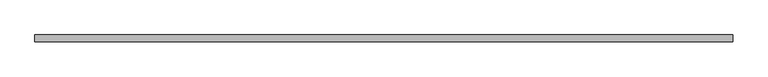
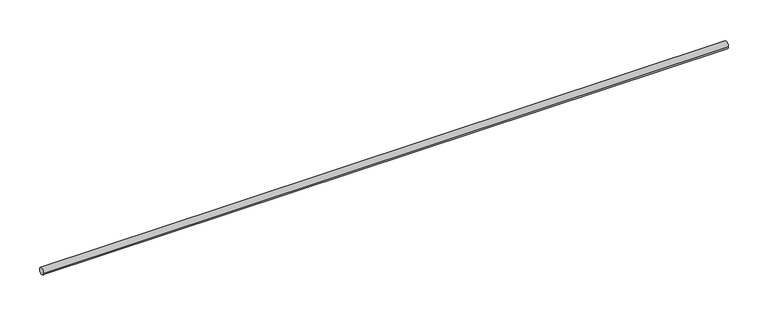
"""IFC4 building model written with IfcOpenShell, lengths in millimetres: proxy geometry."""

import ifcopenshell
import ifcopenshell.guid

model = None  # the IFC model being written
_history = None  # IfcOwnerHistory: only IFC2X3 demands one
_inside = {}  # id of a spatial element -> (the spatial element, [elements in it])
_under = {}  # id of a project, library or spatial element -> (it, [spatial elements below it])
_declared = {}  # id of a project -> (the project, [libraries it declares])
_typed = {}  # id of a type object -> (the type object, [elements of that type])
_made_of = {}  # id of a material, layer set ... -> (it, [elements and type objects made of it])


def new_model(schema):
    """Start an empty IFC model of exactly this schema.

    Asked for "IFC4X3", IfcOpenShell would pick the latest addendum, in which some entities
    have other attributes; the version numbers below select the first issue.
    IFC2X3 requires an IfcOwnerHistory on every rooted entity: one is made here for all.
    """
    global model, _history
    if schema == "IFC4X3":
        model = ifcopenshell.file(schema_version=(4, 3, 0, 0))
    else:
        model = ifcopenshell.file(schema=schema)
    _inside.clear()
    _under.clear()
    _declared.clear()
    _typed.clear()
    _made_of.clear()
    _history = None
    if model.schema == "IFC2X3":
        org = make("IfcOrganization", Name="unknown")
        user = make(
            "IfcPersonAndOrganization",
            ThePerson=make("IfcPerson", FamilyName="unknown"),
            TheOrganization=org,
        )
        app = make(
            "IfcApplication",
            ApplicationDeveloper=org,
            Version="unknown",
            ApplicationFullName="unknown",
            ApplicationIdentifier="unknown",
        )
        _history = make(
            "IfcOwnerHistory",
            OwningUser=user,
            OwningApplication=app,
            ChangeAction="ADDED",
            CreationDate=0,
        )
    return model


def make(cls, **values):
    """One entity of the class cls with the attributes given. An attribute that is None is left unset."""
    return model.create_entity(
        cls, **{name: value for name, value in values.items() if value is not None}
    )


def rooted(cls, **values):
    """An entity with a GlobalId (a new one), such as an element, a storey or a relation."""
    return make(cls, GlobalId=ifcopenshell.guid.new(), OwnerHistory=_history, **values)


def si_unit(unit_type, name, prefix=None):
    """IfcSIUnit, for example si_unit("LENGTHUNIT", "METRE", prefix="MILLI")."""
    return make("IfcSIUnit", UnitType=unit_type, Prefix=prefix, Name=name)


def assignment(units):
    """IfcUnitAssignment: the units of a project."""
    return None if units is None else make("IfcUnitAssignment", Units=units)


def point(xyz):
    """IfcCartesianPoint."""
    return None if xyz is None else make("IfcCartesianPoint", Coordinates=xyz)


def direction(xyz):
    """IfcDirection."""
    return None if xyz is None else make("IfcDirection", DirectionRatios=xyz)


def frame(location, z_axis=None, x_axis=None):
    """IfcAxis2Placement3D, a coordinate frame: its origin and axes. An axis left out is left unset."""
    return make(
        "IfcAxis2Placement3D",
        Location=point(location),
        Axis=direction(z_axis),
        RefDirection=direction(x_axis),
    )


def frame_2d(location, x_axis=None):
    """IfcAxis2Placement2D, a coordinate frame in the plane: its origin and x axis."""
    return make(
        "IfcAxis2Placement2D", Location=point(location), RefDirection=direction(x_axis)
    )


def origin():
    """The frame at (0, 0, 0) with its axes left unset."""
    return frame((0.0, 0.0, 0.0))


def origin_2d():
    """The frame at (0, 0) in the plane with its x axis left unset."""
    return frame_2d((0.0, 0.0))


def place(relative_to, where):
    """IfcLocalPlacement: puts the frame where relative to a parent placement (None: the world)."""
    return make(
        "IfcLocalPlacement", PlacementRelTo=relative_to, RelativePlacement=where
    )


def context(
    kind, dimensions, precision=None, world=None, true_north=None, identifier=None
):
    """IfcGeometricRepresentationContext, for example the 3D "Model" context."""
    return make(
        "IfcGeometricRepresentationContext",
        ContextIdentifier=identifier,
        ContextType=kind,
        CoordinateSpaceDimension=dimensions,
        Precision=precision,
        WorldCoordinateSystem=world,
        TrueNorth=true_north,
    )


def project(units=None, contexts=None):
    """IfcProject with its units and contexts."""
    return rooted(
        "IfcProject",
        Name="project",
        RepresentationContexts=contexts,
        UnitsInContext=assignment(units),
    )


def spatial(cls, under=None, at=None, **own):
    """A site, building, storey or space (cls), placed at a placement, below another one or the project."""
    s = rooted(cls, ObjectPlacement=at, **own)
    if under is not None:
        _under.setdefault(under.id(), (under, []))[1].append(s)
    return s


def circle_curve(where, radius):
    """IfcCircle in the frame where."""
    return make("IfcCircle", Position=where, Radius=radius)


def trimmed(basis, trim1, trim2, sense, master):
    """IfcTrimmedCurve: the piece of a basis curve between two trims."""
    return make(
        "IfcTrimmedCurve",
        BasisCurve=basis,
        Trim1=trim1,
        Trim2=trim2,
        SenseAgreement=sense,
        MasterRepresentation=master,
    )


def segment(curve, same_sense, transition):
    """IfcCompositeCurveSegment."""
    return make(
        "IfcCompositeCurveSegment",
        Transition=transition,
        SameSense=same_sense,
        ParentCurve=curve,
    )


def composite_curve(segments, self_intersect=None):
    """IfcCompositeCurve: segments joined end to end."""
    return make("IfcCompositeCurve", Segments=segments, SelfIntersect=self_intersect)


def outline(outer, holes=None, kind="AREA"):
    """IfcArbitraryClosedProfileDef: a profile drawn as a closed curve; with holes, ...WithVoids."""
    if holes is None:
        return make("IfcArbitraryClosedProfileDef", ProfileType=kind, OuterCurve=outer)
    return make(
        "IfcArbitraryProfileDefWithVoids",
        ProfileType=kind,
        OuterCurve=outer,
        InnerCurves=holes,
    )


def extrude(swept, where, along, depth):
    """IfcExtrudedAreaSolid: the profile swept, set in the frame where, extruded along a direction by depth."""
    return make(
        "IfcExtrudedAreaSolid",
        SweptArea=swept,
        Position=where,
        ExtrudedDirection=direction(along),
        Depth=depth,
    )


def shape(context_of_items, identifier, shape_type, items):
    """IfcShapeRepresentation: the items that make up one representation, for example the "Body"."""
    return make(
        "IfcShapeRepresentation",
        ContextOfItems=context_of_items,
        RepresentationIdentifier=identifier,
        RepresentationType=shape_type,
        Items=items,
    )


def source(mapping_origin, context_of_items, identifier, shape_type, items):
    """IfcRepresentationMap: a shape defined once, which mapped items show again and again."""
    return make(
        "IfcRepresentationMap",
        MappingOrigin=mapping_origin,
        MappedRepresentation=shape(context_of_items, identifier, shape_type, items),
    )


def transform(
    local_origin,
    x_axis=None,
    y_axis=None,
    z_axis=None,
    scale=None,
    scale2=None,
    scale3=None,
    uniform=True,
):
    """IfcCartesianTransformationOperator3D, or its non-uniform kind. x_axis, y_axis, z_axis: its Axis1, 2, 3."""
    if uniform:
        return make(
            "IfcCartesianTransformationOperator3D",
            Axis1=direction(x_axis),
            Axis2=direction(y_axis),
            LocalOrigin=point(local_origin),
            Scale=scale,
            Axis3=direction(z_axis),
        )
    return make(
        "IfcCartesianTransformationOperator3DnonUniform",
        Axis1=direction(x_axis),
        Axis2=direction(y_axis),
        LocalOrigin=point(local_origin),
        Scale=scale,
        Axis3=direction(z_axis),
        Scale2=scale2,
        Scale3=scale3,
    )


def mapped(mapping_source, mapping_target):
    """IfcMappedItem: shows the shape of a source again, moved by a transform."""
    return make(
        "IfcMappedItem", MappingSource=mapping_source, MappingTarget=mapping_target
    )


def made_of(thing, what):
    """Note that an element or type object is made of a material, layer set ...; save() writes the relation."""
    if what is not None:
        _made_of.setdefault(what.id(), (what, []))[1].append(thing)
    return thing


def element(
    cls,
    number,
    at=None,
    inside=None,
    cuts=None,
    type_object=None,
    material=None,
    context=None,
    identifier="Body",
    shape_type=None,
    held_by="IfcProductDefinitionShape",
    body=None,
    shapes=None,
    **own,
):
    """One element of the class cls, such as IfcWall. Its Tag is "e" and its number.

    at: its placement. inside: the storey or other place that contains it. cuts: it is an
    opening in that element (IfcRelVoidsElement). A single representation is given by context,
    identifier, shape_type and body (its items); several are given by shapes. held_by: the class
    of the entity that holds the representations. save() writes the other relations.
    """
    e = rooted(cls, Tag="e%d" % number, ObjectPlacement=at, **own)
    if body is not None:
        shapes = [shape(context, identifier, shape_type, body)]
    if shapes is not None:
        e.Representation = make(held_by, Representations=shapes)
    if inside is not None:
        _inside.setdefault(inside.id(), (inside, []))[1].append(e)
    if cuts is not None:
        rooted(
            "IfcRelVoidsElement", RelatingBuildingElement=cuts, RelatedOpeningElement=e
        )
    if type_object is not None:
        _typed.setdefault(type_object.id(), (type_object, []))[1].append(e)
    return made_of(e, material)


def aggregate(whole, parts):
    """IfcRelAggregates: a whole, such as a stair, and the parts it consists of."""
    return rooted("IfcRelAggregates", RelatingObject=whole, RelatedObjects=parts)


def save(model, path):
    """Write the relations noted so far, then the file.

    IfcRelAggregates (storeys below a building ...), IfcRelContainedInSpatialStructure (elements
    in a storey), IfcRelDefinesByType, IfcRelAssociatesMaterial and IfcRelDeclares: one each for
    every whole, place, type object, material and project.
    """
    for whole, parts in _under.values():
        aggregate(whole, parts)
    for where, things in _inside.values():
        rooted(
            "IfcRelContainedInSpatialStructure",
            RelatedElements=things,
            RelatingStructure=where,
        )
    for kind, things in _typed.values():
        rooted("IfcRelDefinesByType", RelatedObjects=things, RelatingType=kind)
    for what, things in _made_of.values():
        rooted("IfcRelAssociatesMaterial", RelatedObjects=things, RelatingMaterial=what)
    for by, libraries in _declared.values():
        rooted("IfcRelDeclares", RelatingContext=by, RelatedDefinitions=libraries)
    model.write(path)


def generic_models_03f442b3(model_context):
    return source(origin(), model_context, "Body", "SweptSolid", [
        extrude(outline(composite_curve([segment(trimmed(circle_curve(origin_2d(), 5.0), [point((-5.0, 0.0))], [point((5.0, 0.0))], False, "CARTESIAN"), True, "CONTINUOUS"), segment(trimmed(circle_curve(origin_2d(), 5.0), [point((5.0, 0.0))], [point((-5.0, 0.0))], False, "CARTESIAN"), True, "CONTINUOUS")], self_intersect=False)), frame((-500.0, 0.0, 0.0), z_axis=(1.0, 0.0, 0.0), x_axis=(0.0, 1.0, 0.0)), (0.0, 0.0, 1.0), 1000.0),
    ])


if __name__ == "__main__":
    model = new_model("IFC4")
    model_context = context("Model", 3, world=origin())
    ifc_project = project(units=[si_unit("LENGTHUNIT", "METRE", prefix="MILLI")], contexts=[model_context])
    site = spatial("IfcSite", under=ifc_project)
    building = spatial("IfcBuilding", under=site)
    placement = place(None, origin())
    generic_models_shape = generic_models_03f442b3(model_context)
    element("IfcBuildingElementProxy", 1, Name="Generic Models", at=placement, inside=building, context=model_context, shape_type="MappedRepresentation", body=[
        mapped(generic_models_shape, transform((0.0, 0.0, 0.0), x_axis=(1.0, 0.0, 0.0), y_axis=(0.0, 1.0, 0.0), z_axis=(0.0, 0.0, 1.0))),
    ])
    save(model, "model.ifc")
